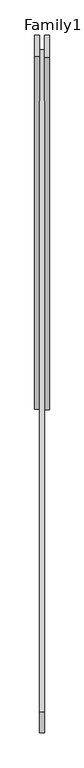
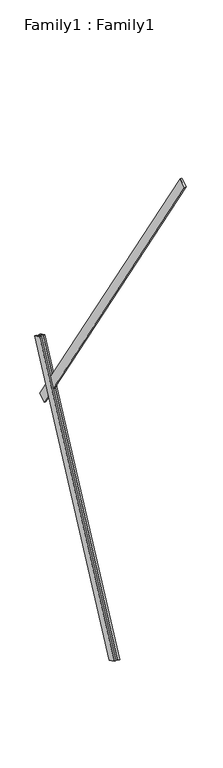
"""IFC4 building model written with IfcOpenShell, lengths in millimetres: proxy geometry, Family1 : Family1."""

from ifc_helpers import new_model, si_unit, frame, origin, place, context, project, spatial, polyline, outline, extrude, source, transform, mapped, element, save


def family1_family1_2fcfdc14(model_context):
    return source(origin(), model_context, "Body", "SweptSolid", [
        extrude(outline(polyline([(0.0, 0.0), (0.0, -20.0), (-100.0000001, -20.0), (-100.0000001, 0.0), (0.0, 0.0)])), frame((-30.0, 46.3241747, -22.5938096), z_axis=(0.0, 0.4383711467890692, 0.8987940462991711), x_axis=(0.0, 0.8987940462991711, -0.4383711467890692)), (0.0, 0.0, 1.0), 3300.0),
        extrude(outline(polyline([(0.0, 0.0), (0.0, -20.0), (-99.9999999, -20.0), (-99.9999999, 0.0), (0.0, 0.0)])), frame((10.0, 45.270232, -22.0797674), z_axis=(0.0, 0.4383711467890692, 0.8987940462991711), x_axis=(0.0, 0.8987940462991711, -0.4383711467890692)), (0.0, 0.0, 1.0), 3300.0),
        extrude(outline(polyline([(0.0, 0.0), (0.0, -100.0), (-20.0, -100.0), (-20.0, 0.0), (0.0, 0.0)])), frame((10.0, 1433.7107851, 2290.7968826), z_axis=(0.0, -0.5446390350150258, 0.8386705679454249), x_axis=(1.0, 0.0, 0.0)), (0.0, 0.0, 1.0), 5000.0),
    ])


if __name__ == "__main__":
    model = new_model("IFC4")
    model_context = context("Model", 3, world=origin())
    ifc_project = project(units=[si_unit("LENGTHUNIT", "METRE", prefix="MILLI")], contexts=[model_context])
    site = spatial("IfcSite", under=ifc_project)
    building = spatial("IfcBuilding", under=site)
    placement = place(None, origin())
    family1_family1_shape = family1_family1_2fcfdc14(model_context)
    element("IfcBuildingElementProxy", 1, Name="Family1 : Family1", ObjectType="Family1 : Family1", at=placement, inside=building, context=model_context, shape_type="MappedRepresentation", body=[
        mapped(family1_family1_shape, transform((0.0, 0.0, 0.0), x_axis=(1.0, 0.0, 0.0), y_axis=(0.0, 1.0, 0.0), z_axis=(0.0, 0.0, 1.0))),
    ])
    save(model, "model.ifc")
